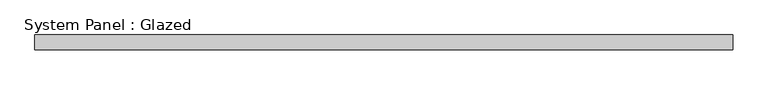
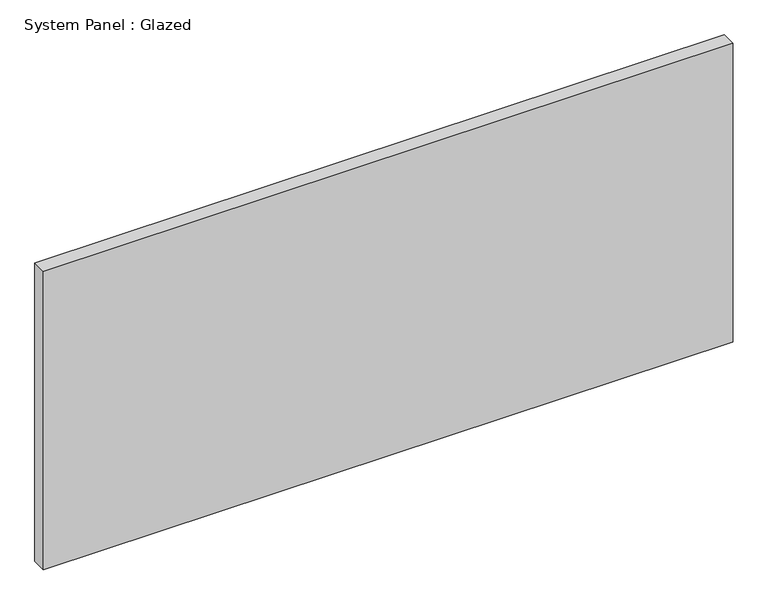
"""IFC4 building model written with IfcOpenShell, lengths in millimetres: plate geometry, System Panel : Glazed."""

from ifc_helpers import new_model, si_unit, origin, origin_with_axes, place, context, project, spatial, polyline, outline, extrude, source, transform, mapped, element, save


def system_panel_glazed_a368da13(model_context):
    return source(origin(), model_context, "Body", "SweptSolid", [
        extrude(outline(polyline([(589.4916667, -12.7), (-589.4916667, -12.7), (-589.4916667, 12.7), (589.4916667, 12.7), (589.4916667, -12.7)])), origin_with_axes(), (0.0, 0.0, 1.0), 539.75),
    ])


if __name__ == "__main__":
    model = new_model("IFC4")
    model_context = context("Model", 3, world=origin())
    ifc_project = project(units=[si_unit("LENGTHUNIT", "METRE", prefix="MILLI")], contexts=[model_context])
    site = spatial("IfcSite", under=ifc_project)
    building = spatial("IfcBuilding", under=site)
    placement = place(None, origin())
    system_panel_glazed_shape = system_panel_glazed_a368da13(model_context)
    element("IfcPlate", 1, ObjectType="System Panel : Glazed", at=placement, inside=building, context=model_context, shape_type="MappedRepresentation", body=[
        mapped(system_panel_glazed_shape, transform((0.0, 0.0, 0.0), x_axis=(1.0, 0.0, 0.0), y_axis=(0.0, 1.0, 0.0), z_axis=(0.0, 0.0, 1.0))),
    ])
    save(model, "model.ifc")
